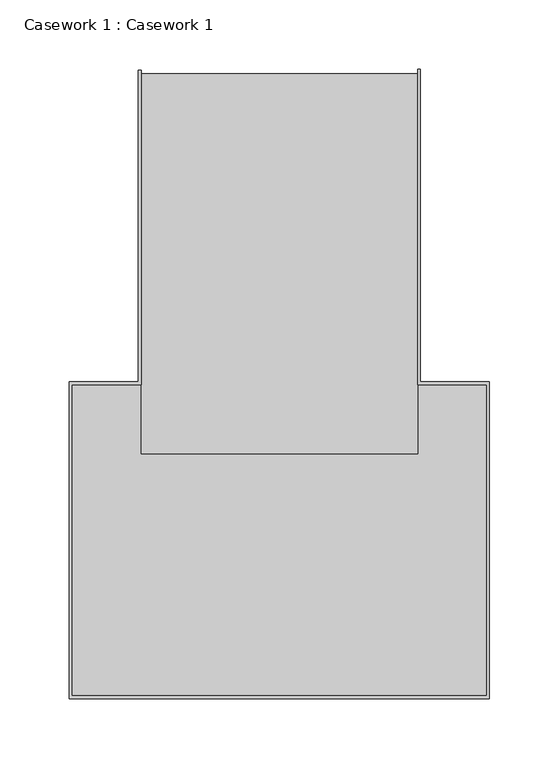
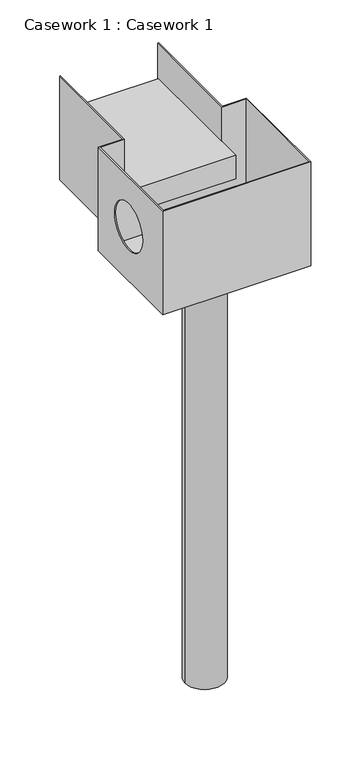
"""IFC4 building model written with IfcOpenShell, lengths in millimetres: furniture geometry, Casework 1 : Casework 1."""

from ifc_helpers import new_model, si_unit, point, frame, frame_2d, origin, place, context, project, spatial, polyline, circle_curve, trimmed, segment, composite_curve, outline, extrude, source, transform, mapped, element, save
from ifc_brep_helpers import plane_surface, revolved_surface, advanced_brep


def casework_1_casework_1_96280fb2(model_context):
    return source(origin(), model_context, "Body", "SolidModel", [
        extrude(outline(polyline([(18264.1783812, 858.829227), (18264.1783812, 583.9199174), (18064.1783812, 583.9199174), (18064.1783812, 858.829227), (18264.1783812, 858.829227)])), frame((0.0, 0.0, -285.0), z_axis=(0.0, 0.0, 1.0), x_axis=(1.0, 0.0, 0.0)), (0.0, 0.0, 1.0), 50.0),
        advanced_brep(
        [(18314.1783812, 408.9199174, -160.0), (18014.1783812, 408.9199174, -160.0), (18014.1783812, 633.9199174, -160.0), (18064.1783812, 633.9199174, -160.0), (18064.1783812, 715.1827654, -160.0), (18064.1783812, 861.187568, -160.0), (18062.1783812, 861.187568, -160.0), (18062.1783812, 635.9199174, -160.0), (18012.1783812, 635.9199174, -160.0), (18012.1783812, 406.9199174, -160.0), (18316.1783812, 406.9199174, -160.0), (18316.1783812, 635.9199174, -160.0), (18266.1783812, 635.9199174, -160.0), (18266.1783812, 862.1309044, -160.0), (18264.1783812, 862.1309044, -160.0), (18264.1783812, 715.1827654, -160.0), (18264.1783812, 633.9199174, -160.0), (18314.1783812, 633.9199174, -160.0), (18314.1783812, 408.9199174, -385.0), (18314.1783812, 633.9199174, -385.0), (18264.1783812, 633.9199174, -385.0), (18264.1783812, 862.1309044, -385.0), (18266.1783812, 862.1309044, -385.0), (18266.1783812, 635.9199174, -385.0), (18316.1783812, 635.9199174, -385.0), (18316.1783812, 406.9199174, -385.0), (18012.1783812, 406.9199174, -385.0), (18012.1783812, 635.9199174, -385.0), (18062.1783812, 635.9199174, -385.0), (18062.1783812, 861.187568, -385.0), (18064.1783812, 861.187568, -385.0), (18064.1783812, 633.9199174, -385.0), (18014.1783812, 633.9199174, -385.0), (18014.1783812, 408.9199174, -385.0), (18014.1783812, 478.8418776, -267.9940763), (18014.1783812, 578.8418776, -267.9940763), (18064.1783812, 633.9199174, -380.0), (18264.1783812, 633.9199174, -380.0), (18264.1783812, 633.9199174, -285.0), (18064.1783812, 633.9199174, -285.0), (18064.1783812, 650.944338, -285.0), (18064.1783812, 650.944338, -380.0), (18012.1783812, 578.8418776, -267.9940763), (18012.1783812, 478.8418776, -267.9940763), (18264.1783812, 650.944338, -380.0), (18264.1783812, 650.944338, -285.0)],
        [
            (0, 1),
            (1, 2),
            (2, 3),
            (3, 4),
            (4, 5),
            (5, 6),
            (6, 7),
            (7, 8),
            (8, 9),
            (9, 10),
            (10, 11),
            (11, 12),
            (12, 13),
            (13, 14),
            (14, 15),
            (15, 16),
            (16, 17),
            (17, 0),
            (18, 19),
            (19, 20),
            (20, 21),
            (21, 22),
            (22, 23),
            (23, 24),
            (24, 25),
            (25, 26),
            (26, 27),
            (27, 28),
            (28, 29),
            (29, 30),
            (30, 31),
            (31, 32),
            (32, 33),
            (33, 18),
            (0, 18),
            (33, 1),
            (32, 2),
            (34, 35, circle_curve(frame((18014.1783812, 528.8418776, -267.9940763), z_axis=(-1.0, 0.0, 0.0), x_axis=(0.0, -1.0, 0.0)), 50.0)),
            (35, 34, circle_curve(frame((18014.1783812, 528.8418776, -267.9940763), z_axis=(-1.0, 0.0, 0.0), x_axis=(0.0, -1.0, 0.0)), 50.0)),
            (31, 36),
            (36, 37),
            (37, 20),
            (19, 17),
            (16, 38),
            (38, 39),
            (39, 3),
            (30, 5),
            (39, 40),
            (40, 41),
            (41, 36),
            (7, 28),
            (27, 8),
            (26, 9),
            (42, 43, circle_curve(frame((18012.1783812, 528.8418776, -267.9940763), z_axis=(1.0, 0.0, 0.0), x_axis=(0.0, -1.0, 0.0)), 50.0)),
            (43, 42, circle_curve(frame((18012.1783812, 528.8418776, -267.9940763), z_axis=(1.0, 0.0, 0.0), x_axis=(0.0, -1.0, 0.0)), 50.0)),
            (25, 10),
            (24, 11),
            (23, 12),
            (29, 6),
            (22, 13),
            (21, 14),
            (37, 44),
            (44, 45),
            (45, 38),
            (42, 35),
            (34, 43),
            (44, 41),
            (40, 45),
        ],
        [
            plane_surface(frame((18314.1783812, 408.9199174, -160.0), z_axis=(0.0, 0.0, 1.0), x_axis=(-1.0, 0.0, 0.0))),
            plane_surface(frame((18314.1783812, 408.9199174, -385.0), z_axis=(0.0, 0.0, -1.0), x_axis=(1.0, 0.0, 0.0))),
            plane_surface(frame((18314.1783812, 408.9199174, -160.0), z_axis=(0.0, 1.0, 0.0), x_axis=(0.0, 0.0, -1.0))),
            plane_surface(frame((18014.1783812, 408.9199174, -160.0), z_axis=(1.0, 0.0, 0.0), x_axis=(0.0, 0.0, -1.0))),
            plane_surface(frame((18014.1783812, 633.9199174, -160.0), z_axis=(0.0, -1.0, 0.0), x_axis=(0.0, 0.0, -1.0))),
            plane_surface(frame((18064.1783812, 633.9199174, -160.0), z_axis=(1.0, 0.0, 0.0), x_axis=(0.0, 0.0, -1.0))),
            plane_surface(frame((18062.1783812, 635.9199174, -160.0), z_axis=(0.0, 1.0, 0.0), x_axis=(0.0, 0.0, -1.0))),
            plane_surface(frame((18012.1783812, 635.9199174, -160.0), z_axis=(-1.0, 0.0, 0.0), x_axis=(0.0, 0.0, -1.0))),
            plane_surface(frame((18012.1783812, 406.9199174, -160.0), z_axis=(0.0, -1.0, 0.0), x_axis=(0.0, 0.0, -1.0))),
            plane_surface(frame((18316.1783812, 406.9199174, -160.0), z_axis=(1.0, 0.0, 0.0), x_axis=(0.0, 0.0, -1.0))),
            plane_surface(frame((18316.1783812, 635.9199174, -160.0), z_axis=(0.0, 1.0, 0.0), x_axis=(0.0, 0.0, -1.0))),
            plane_surface(frame((18314.1783812, 633.9199174, -160.0), z_axis=(-1.0, 0.0, 0.0), x_axis=(0.0, 0.0, -1.0))),
            plane_surface(frame((18064.1783812, 861.187568, -160.0), z_axis=(0.0, 1.0, 0.0), x_axis=(0.0, 0.0, -1.0))),
            plane_surface(frame((18062.1783812, 861.187568, -160.0), z_axis=(-1.0, 0.0, 0.0), x_axis=(0.0, 0.0, -1.0))),
            plane_surface(frame((18266.1783812, 635.9199174, -160.0), z_axis=(1.0, 0.0, 0.0), x_axis=(0.0, 0.0, -1.0))),
            plane_surface(frame((18266.1783812, 862.1309044, -160.0), z_axis=(0.0, 1.0, 0.0), x_axis=(0.0, 0.0, -1.0))),
            plane_surface(frame((18264.1783812, 862.1309044, -160.0), z_axis=(-1.0, 0.0, 0.0), x_axis=(0.0, 0.0, -1.0))),
            revolved_surface(polyline([(18014.1783812, 478.8418776, -267.9940763), (18012.1783812, 478.8418776, -267.9940763)]), (17997.0805921, 528.8418776, -267.9940763), (1.0, 0.0, 0.0)),
            plane_surface(frame((18264.1783812, 650.944338, -285.0), z_axis=(0.0, 1.0, 0.0), x_axis=(0.0, 0.0, -1.0))),
            plane_surface(frame((18264.1783812, 633.9199174, -285.0), z_axis=(0.0, 0.0, 1.0), x_axis=(0.0, 1.0, 0.0))),
            plane_surface(frame((18064.1783812, 633.9199174, -380.0), z_axis=(0.0, 0.0, -1.0), x_axis=(0.0, 1.0, 0.0))),
        ],
        [
            (0, [[1, 2, 3, 4, 5, 6, 7, 8, 9, 10, 11, 12, 13, 14, 15, 16, 17, 18]]),
            (1, [[19, 20, 21, 22, 23, 24, 25, 26, 27, 28, 29, 30, 31, 32, 33, 34]]),
            (2, [[-1, 35, -34, 36]]),
            (3, [[-2, -36, -33, 37], [38, 39]]),
            (4, [[-3, -37, -32, 40, 41, 42, -20, 43, -17, 44, 45, 46]]),
            (5, [[-31, 47, -5, -4, -46, 48, 49, 50, -40]]),
            (6, [[-8, 51, -28, 52]]),
            (7, [[-9, -52, -27, 53], [54, 55]]),
            (8, [[-10, -53, -26, 56]]),
            (9, [[-11, -56, -25, 57]]),
            (10, [[-12, -57, -24, 58]]),
            (11, [[-18, -43, -19, -35]]),
            (12, [[-6, -47, -30, 59]]),
            (13, [[-7, -59, -29, -51]]),
            (14, [[-13, -58, -23, 60]]),
            (15, [[-14, -60, -22, 61]]),
            (16, [[-21, -42, 62, 63, 64, -44, -16, -15, -61]]),
            (17, [[65, -38, 66, -54]]),
            (17, [[-65, -55, -66, -39]]),
            (18, [[67, -49, 68, -63]]),
            (19, [[-45, -64, -68, -48]]),
            (20, [[-41, -50, -67, -62]]),
        ],
    ),
        extrude(outline(composite_curve([segment(trimmed(circle_curve(frame_2d((18164.1783812, 521.4199174)), 40.0), [point((18124.1783812, 521.4199174))], [point((18204.1783812, 521.4199174))], False, "CARTESIAN"), True, "CONTINUOUS"), segment(trimmed(circle_curve(frame_2d((18164.1783812, 521.4199174)), 40.0), [point((18204.1783812, 521.4199174))], [point((18124.1783812, 521.4199174))], False, "CARTESIAN"), True, "CONTINUOUS")], self_intersect=False)), frame((0.0, 0.0, -1293.9762205), z_axis=(0.0, 0.0, 1.0), x_axis=(1.0, 0.0, 0.0)), (0.0, 0.0, 1.0), 908.9762205),
        extrude(outline(polyline([(18314.1783812, 633.9199174), (18314.1783812, 408.9199174), (18014.1783812, 408.9199174), (18014.1783812, 633.9199174), (18064.1783812, 633.9199174), (18064.1783812, 668.9199174), (18264.1783812, 668.9199174), (18264.1783812, 633.9199174), (18314.1783812, 633.9199174)])), frame((0.0, 0.0, -385.0), z_axis=(0.0, 0.0, 1.0), x_axis=(1.0, 0.0, 0.0)), (0.0, 0.0, 1.0), 5.0),
    ])


if __name__ == "__main__":
    model = new_model("IFC4")
    model_context = context("Model", 3, world=origin())
    ifc_project = project(units=[si_unit("LENGTHUNIT", "METRE", prefix="MILLI")], contexts=[model_context])
    site = spatial("IfcSite", under=ifc_project)
    building = spatial("IfcBuilding", under=site)
    placement = place(None, origin())
    casework_1_casework_1_shape = casework_1_casework_1_96280fb2(model_context)
    element("IfcFurniture", 1, ObjectType="Casework 1 : Casework 1", at=placement, inside=building, context=model_context, shape_type="MappedRepresentation", body=[
        mapped(casework_1_casework_1_shape, transform((0.0, 0.0, 0.0), x_axis=(1.0, 0.0, 0.0), y_axis=(0.0, 1.0, 0.0), z_axis=(0.0, 0.0, 1.0))),
    ])
    save(model, "model.ifc")
